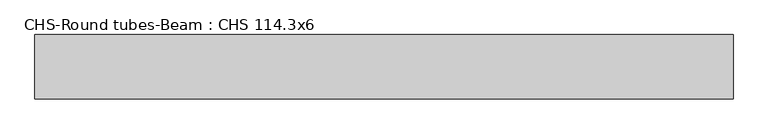
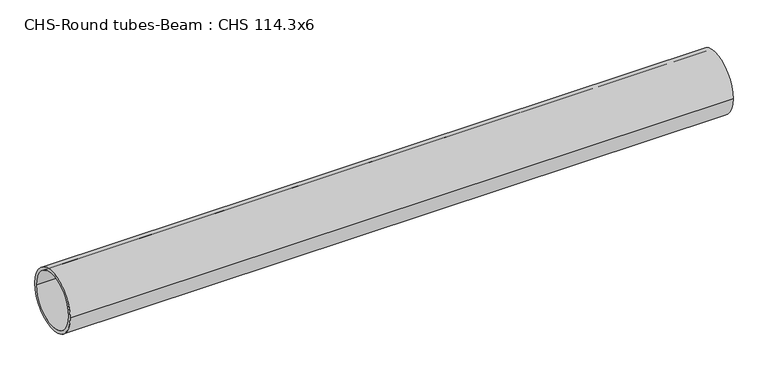
"""IFC4 building model written with IfcOpenShell, lengths in millimetres: beam geometry, CHS-Round tubes-Beam : CHS 114.3x6."""

from ifc_helpers import new_model, si_unit, point, frame, origin, origin_2d, place, context, project, spatial, circle_curve, trimmed, segment, composite_curve, outline, extrude, source, transform, mapped, element, save


def chs_round_tubes_beam_chs_114_3x6_5b987102(model_context):
    return source(origin(), model_context, "Body", "SweptSolid", [
        extrude(outline(composite_curve([segment(trimmed(circle_curve(origin_2d(), 57.15), [point((57.15, 0.0))], [point((-57.15, 0.0))], False, "CARTESIAN"), True, "CONTINUOUS"), segment(trimmed(circle_curve(origin_2d(), 57.15), [point((-57.15, 0.0))], [point((57.15, 0.0))], False, "CARTESIAN"), True, "CONTINUOUS")], self_intersect=False), holes=[composite_curve([segment(trimmed(circle_curve(origin_2d(), 51.15), [point((51.15, 0.0))], [point((-51.15, 0.0))], True, "CARTESIAN"), True, "CONTINUOUS"), segment(trimmed(circle_curve(origin_2d(), 51.15), [point((-51.15, 0.0))], [point((51.15, 0.0))], True, "CARTESIAN"), True, "CONTINUOUS")], self_intersect=False)]), frame((-620.0446866, 0.0, 0.0), z_axis=(1.0, 0.0, 0.0), x_axis=(0.0, 1.0, 0.0)), (0.0, 0.0, 1.0), 1240.0893732),
    ])


if __name__ == "__main__":
    model = new_model("IFC4")
    model_context = context("Model", 3, world=origin())
    ifc_project = project(units=[si_unit("LENGTHUNIT", "METRE", prefix="MILLI")], contexts=[model_context])
    site = spatial("IfcSite", under=ifc_project)
    building = spatial("IfcBuilding", under=site)
    placement = place(None, origin())
    chs_round_tubes_beam_chs_114_3x6_shape = chs_round_tubes_beam_chs_114_3x6_5b987102(model_context)
    element("IfcBeam", 1, ObjectType="CHS-Round tubes-Beam : CHS 114.3x6", at=placement, inside=building, context=model_context, shape_type="MappedRepresentation", body=[
        mapped(chs_round_tubes_beam_chs_114_3x6_shape, transform((0.0, 0.0, 0.0), x_axis=(1.0, 0.0, 0.0), y_axis=(0.0, 1.0, 0.0), z_axis=(0.0, 0.0, 1.0))),
    ])
    save(model, "model.ifc")
